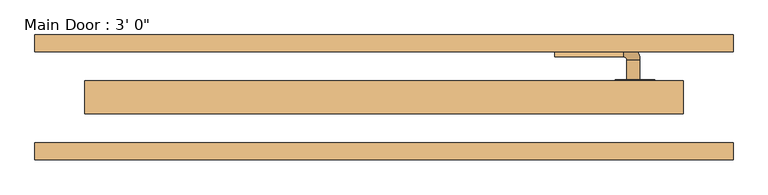
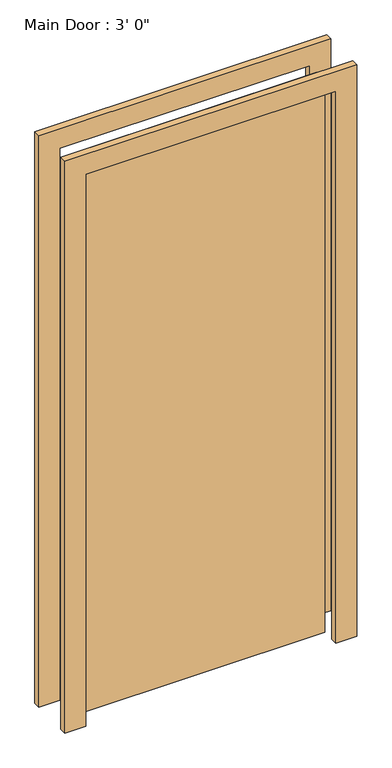
"""IFC4 building model written with IfcOpenShell, lengths in millimetres: door geometry."""

from ifc_helpers import new_model, si_unit, point, frame, frame_2d, origin, place, context, project, spatial, polyline, circle_curve, ellipse_curve, trimmed, segment, composite_curve, outline, extrude, faceted_brep, source, transform, mapped, element, save
from ifc_brep_helpers import plane_surface, cylinder_surface, revolved_surface, advanced_brep


def door_d1fbcf01(model_context):
    return source(origin(), model_context, "Body", "SolidModel", [
        advanced_brep(
        [(391.0, 27.05, 1016.0), (371.0, 27.05, 1016.0), (371.0, 57.05, 1016.0), (391.0, 57.05, 1016.0), (366.0, 62.05, 1016.0), (366.0, 82.05, 1016.0), (261.0, 82.05, 1016.0), (261.0, 62.05, 1016.0)],
        [
            (0, 1, circle_curve(frame((381.0, 27.05, 1016.0), z_axis=(0.0, -1.0, 0.0), x_axis=(-1.0, 0.0, 0.0)), 10.0)),
            (1, 0, circle_curve(frame((381.0, 27.05, 1016.0), z_axis=(0.0, -1.0, 0.0), x_axis=(-1.0, 0.0, 0.0)), 10.0)),
            (1, 2),
            (2, 3, circle_curve(frame((381.0, 57.05, 1016.0), z_axis=(0.0, -1.0, 0.0), x_axis=(-1.0, 0.0, 0.0)), 10.0)),
            (3, 0),
            (3, 2, circle_curve(frame((381.0, 57.05, 1016.0), z_axis=(0.0, -1.0, 0.0), x_axis=(-1.0, 0.0, 0.0)), 10.0)),
            (4, 5, circle_curve(frame((366.0, 72.05, 1016.0), z_axis=(1.0, 0.0, 0.0), x_axis=(0.0, -1.0, 0.0)), 10.0)),
            (5, 3, circle_curve(frame((366.0, 57.05, 1016.0), z_axis=(0.0, 0.0, -1.0), x_axis=(1.0, 0.0, 0.0)), 25.0)),
            (2, 4, circle_curve(frame((366.0, 57.05, 1016.0), z_axis=(0.0, 0.0, 1.0), x_axis=(1.0, 0.0, 0.0)), 5.0)),
            (5, 4, circle_curve(frame((366.0, 72.05, 1016.0), z_axis=(1.0, 0.0, 0.0), x_axis=(0.0, -1.0, 0.0)), 10.0)),
            (6, 7, circle_curve(frame((261.0, 72.05, 1016.0), z_axis=(-1.0, 0.0, 0.0), x_axis=(0.0, -1.0, 0.0)), 10.0)),
            (7, 6, circle_curve(frame((261.0, 72.05, 1016.0), z_axis=(-1.0, 0.0, 0.0), x_axis=(0.0, -1.0, 0.0)), 10.0)),
            (4, 7),
            (6, 5),
        ],
        [
            plane_surface(frame((381.0, 27.05, 1016.0), z_axis=(0.0, -1.0, 0.0), x_axis=(0.0, 0.0, 1.0))),
            cylinder_surface(frame((381.0, 27.05, 1016.0), z_axis=(0.0, -1.0, 0.0), x_axis=(-1.0, 0.0, 0.0)), 10.0),
            revolved_surface(trimmed(ellipse_curve(frame((381.0, 57.05, 1016.0), z_axis=(0.0, 1.0, 0.0), x_axis=(-1.0, 0.0, 0.0)), 10.0, 10.0), [point((391.0, 57.05, 1016.0))], [point((371.0, 57.05, 1016.0))], True, "CARTESIAN"), (366.0, 57.05, 1016.0), (0.0, 0.0, -1.0)),
            revolved_surface(trimmed(ellipse_curve(frame((381.0, 57.05, 1016.0), z_axis=(0.0, 1.0, 0.0), x_axis=(-1.0, 0.0, 0.0)), 10.0, 10.0), [point((371.0, 57.05, 1016.0))], [point((391.0, 57.05, 1016.0))], True, "CARTESIAN"), (366.0, 57.05, 1016.0), (0.0, 0.0, -1.0)),
            plane_surface(frame((261.0, 72.05, 1016.0), z_axis=(-1.0, 0.0, 0.0), x_axis=(0.0, 0.0, 1.0))),
            cylinder_surface(frame((366.0, 72.05, 1016.0), z_axis=(1.0, 0.0, 0.0), x_axis=(0.0, -1.0, 0.0)), 10.0),
        ],
        [
            (0, [[1, 2]]),
            (1, [[3, 4, 5, -2]]),
            (1, [[-5, 6, -3, -1]]),
            (2, [[7, 8, -4, 9]]),
            (3, [[10, -9, -6, -8]]),
            (4, [[11, 12]]),
            (5, [[13, -11, 14, -7]]),
            (5, [[-14, -12, -13, -10]]),
        ],
    ),
        extrude(outline(composite_curve([segment(trimmed(circle_curve(frame_2d((1016.0, 383.5)), 30.0), [point((1016.0, 413.5))], [point((1016.0, 353.5))], False, "CARTESIAN"), True, "CONTINUOUS"), segment(trimmed(circle_curve(frame_2d((1016.0, 383.5)), 30.0), [point((1016.0, 353.5))], [point((1016.0, 413.5))], False, "CARTESIAN"), True, "CONTINUOUS")], self_intersect=False)), frame((0.0, 19.05, 0.0), z_axis=(0.0, 1.0, 0.0), x_axis=(0.0, 0.0, 1.0)), (0.0, 0.0, 1.0), 8.0),
        faceted_brep([(-457.2, 25.4, 0.0), (457.2, 25.4, 0.0), (457.2, -25.4, 0.0), (-457.2, -25.4, 0.0), (-457.2, 25.4, 2133.6), (457.2, 25.4, 2133.6), (317.5, 25.4, 717.7833143), (317.5, 25.4, 2038.5833143), (88.9, 25.4, 2038.5833143), (88.9, 25.4, 717.7833143), (-317.5, 25.4, 717.7833143), (-88.9, 25.4, 717.7833143), (-88.9, 25.4, 2038.5833143), (-317.5, 25.4, 2038.5833143), (317.5, 25.4, 558.8), (-317.5, 25.4, 558.8), (-317.5, 25.4, 152.4), (317.5, 25.4, 152.4), (457.2, -25.4, 2133.6), (-457.2, -25.4, 2133.6), (317.5, 0.0, 717.7833143), (88.9, 0.0, 717.7833143), (88.9, 0.0, 2038.5833143), (317.5, 0.0, 2038.5833143), (-317.5, 0.0, 717.7833143), (-317.5, 0.0, 2038.5833143), (-88.9, 0.0, 2038.5833143), (-88.9, 0.0, 717.7833143), (-317.5, 0.0, 558.8), (317.5, 0.0, 558.8), (317.5, 0.0, 152.4), (-317.5, 0.0, 152.4)], [[[0, 1, 2, 3]], [[4, 5, 1, 0], [6, 7, 8, 9], [10, 11, 12, 13], [14, 15, 16, 17]], [[5, 18, 2, 1]], [[18, 19, 3, 2]], [[19, 4, 0, 3]], [[4, 19, 18, 5]], [[20, 21, 22, 23]], [[24, 25, 26, 27]], [[28, 29, 30, 31]], [[20, 23, 7, 6]], [[23, 22, 8, 7]], [[22, 21, 9, 8]], [[21, 20, 6, 9]], [[24, 27, 11, 10]], [[27, 26, 12, 11]], [[26, 25, 13, 12]], [[25, 24, 10, 13]], [[29, 28, 15, 14]], [[30, 29, 14, 17]], [[31, 30, 17, 16]], [[28, 31, 16, 15]]]),
        extrude(outline(polyline([(2133.6, -457.2), (2133.6, 457.2), (0.0, 457.2), (0.0, 533.4), (2209.8, 533.4), (2209.8, -533.4), (0.0, -533.4), (0.0, -457.2), (2133.6, -457.2)])), frame((0.0, -95.25, 0.0), z_axis=(0.0, 1.0, 0.0), x_axis=(0.0, 0.0, 1.0)), (0.0, 0.0, 1.0), 25.4),
        extrude(outline(polyline([(2133.6, -457.2), (2133.6, 457.2), (0.0, 457.2), (0.0, 533.4), (2209.8, 533.4), (2209.8, -533.4), (0.0, -533.4), (0.0, -457.2), (2133.6, -457.2)])), frame((0.0, 69.85, 0.0), z_axis=(0.0, 1.0, 0.0), x_axis=(0.0, 0.0, 1.0)), (0.0, 0.0, 1.0), 25.4),
    ])


if __name__ == "__main__":
    model = new_model("IFC4")
    model_context = context("Model", 3, world=origin())
    ifc_project = project(units=[si_unit("LENGTHUNIT", "METRE", prefix="MILLI")], contexts=[model_context])
    site = spatial("IfcSite", under=ifc_project)
    building = spatial("IfcBuilding", under=site)
    placement = place(None, origin())
    door_shape = door_d1fbcf01(model_context)
    element("IfcDoor", 1, ObjectType="Main Door : 3' 0\"", at=placement, inside=building, context=model_context, shape_type="MappedRepresentation", body=[
        mapped(door_shape, transform((0.0, 0.0, 0.0), x_axis=(1.0, 0.0, 0.0), y_axis=(0.0, 1.0, 0.0), z_axis=(0.0, 0.0, 1.0))),
    ])
    save(model, "model.ifc")
